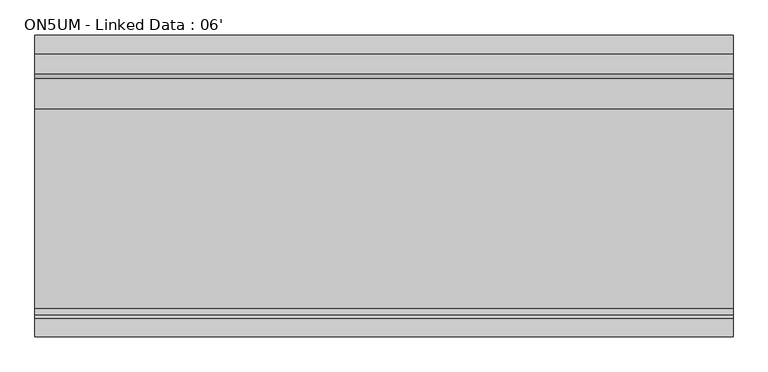
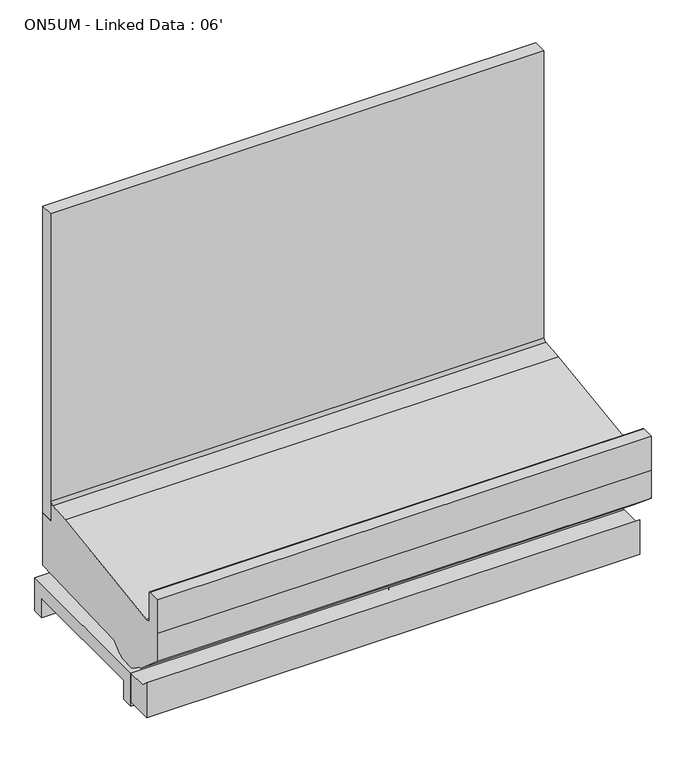
"""IFC4 building model written with IfcOpenShell, lengths in millimetres: proxy geometry, ON5UM - Linked Data : 06'."""

from ifc_helpers import new_model, si_unit, frame, origin, place, context, project, spatial, polyline, circle_curve, outline, extrude, source, transform, mapped, element, save
from ifc_brep_helpers import plane_surface, cylinder_surface, revolved_surface, advanced_brep


def on5um_linked_data_06_0cb7e67e(model_context):
    return source(origin(), model_context, "Body", "SolidModel", [
        advanced_brep(
        [(0.0, -1018.0355073, 16.9113003), (0.0, -1120.2374519, 16.9113003), (0.0, -1120.2374519, 153.0862041), (0.0, -1092.9329421, 130.175), (0.0, -1018.0355073, 130.175), (1828.8, -1018.0355073, 16.9113003), (1828.8, -1018.0355073, 130.175), (1828.8, -1092.9329421, 130.175), (1828.8, -1120.2374519, 153.0862041), (1828.8, -1120.2374519, 16.9113003), (1697.6105208, -1018.0355073, 16.9113003), (1697.6105208, -1018.0355073, 121.311784), (1598.0394792, -1018.0355073, 121.311784), (1598.0394792, -1018.0355073, 16.9113003), (956.0031896, -1018.0355073, 16.9113003), (956.0031896, -1018.0355073, 121.311784), (872.7968104, -1018.0355073, 121.311784), (872.7968104, -1018.0355073, 16.9113003)],
        [
            (0, 1),
            (1, 2),
            (2, 3),
            (3, 4),
            (4, 0),
            (5, 6),
            (6, 7),
            (7, 8),
            (8, 9),
            (9, 5),
            (4, 6),
            (5, 10),
            (10, 11),
            (11, 12),
            (12, 13),
            (13, 14),
            (14, 15),
            (15, 16),
            (16, 17),
            (17, 0),
            (3, 7),
            (17, 14, circle_curve(frame((914.4, -988.8839273, 16.9113003), z_axis=(0.0, 0.0, 1.0), x_axis=(1.0, 0.0, 0.0)), 50.8)),
            (13, 10, circle_curve(frame((1647.825, -1007.9339273, 16.9113003), z_axis=(0.0, 0.0, 1.0), x_axis=(1.0, 0.0, 0.0)), 50.8)),
            (9, 1),
            (15, 16, circle_curve(frame((914.4, -988.8839273, 121.311784), z_axis=(0.0, 0.0, -1.0), x_axis=(1.0, 0.0, 0.0)), 50.8)),
            (8, 2),
            (11, 12, circle_curve(frame((1647.825, -1007.9339273, 121.311784), z_axis=(0.0, 0.0, -1.0), x_axis=(1.0, 0.0, 0.0)), 50.8)),
        ],
        [
            plane_surface(frame((0.0, -1018.0355073, 130.175), z_axis=(-1.0, 0.0, 0.0), x_axis=(0.0, 0.0, -1.0))),
            plane_surface(frame((1828.8, -1018.0355073, 130.175), z_axis=(1.0, 0.0, 0.0), x_axis=(0.0, 0.0, 1.0))),
            plane_surface(frame((1828.8, -1018.0355073, 16.9113003), z_axis=(0.0, 1.0, 0.0), x_axis=(-1.0, 0.0, 0.0))),
            plane_surface(frame((1828.8, -1018.0355073, 130.175), z_axis=(0.0, 0.0, 1.0), x_axis=(-1.0, 0.0, 0.0))),
            plane_surface(frame((1828.8, -1120.2374519, 16.9113003), z_axis=(0.0, 0.0, -1.0), x_axis=(-1.0, 0.0, 0.0))),
            plane_surface(frame((965.2, -988.8839273, 121.311784), z_axis=(0.0, 0.0, -1.0), x_axis=(0.0, 1.0, 0.0))),
            revolved_surface(polyline([(965.1999999999999, -988.8839273, 121.311784), (965.1999999999999, -988.8839273, 16.9113003)]), (914.4, -988.8839273, 0.0), (0.0, 0.0, 1.0)),
            plane_surface(frame((1828.8, -1120.2374519, 153.0862041), z_axis=(0.0, -1.0, 0.0), x_axis=(-1.0, 0.0, 0.0))),
            plane_surface(frame((1828.8, -1092.9329421, 130.175), z_axis=(0.0, 0.6427876096870794, 0.766044443118525), x_axis=(-1.0, 0.0, 0.0))),
            plane_surface(frame((1698.625, -1007.9339273, 121.311784), z_axis=(0.0, 0.0, -1.0), x_axis=(0.0, 1.0, 0.0))),
            revolved_surface(polyline([(1698.625, -1007.9339273, 121.311784), (1698.625, -1007.9339273, 16.9113003)]), (1647.825, -1007.9339273, 0.0), (0.0, 0.0, 1.0)),
        ],
        [
            (0, [[1, 2, 3, 4, 5]]),
            (1, [[6, 7, 8, 9, 10]]),
            (2, [[-5, 11, -6, 12, 13, 14, 15, 16, 17, 18, 19, 20]]),
            (3, [[-4, 21, -7, -11]]),
            (4, [[-1, -20, 22, -16, 23, -12, -10, 24]]),
            (5, [[25, -18]]),
            (6, [[-25, -17, -22, -19]]),
            (7, [[-2, -24, -9, 26]]),
            (8, [[-3, -26, -8, -21]]),
            (9, [[27, -14]]),
            (10, [[-27, -13, -23, -15]]),
        ],
    ),
        advanced_brep(
        [(0.0, -401.5089273, 130.175), (0.0, -401.5089273, 0.0), (0.0, -446.7209273, 0.0), (0.0, -446.7209273, 74.8810382), (0.0, -972.7046625, 74.8810382), (0.0, -972.7046625, 0.0), (0.0, -1018.0355073, 0.0), (0.0, -1018.0355073, 130.175), (1828.8, -401.5089273, 130.175), (1828.8, -1018.0355073, 130.175), (1828.8, -1018.0355073, 0.0), (1828.8, -972.7046625, 0.0), (1828.8, -972.7046625, 74.8810382), (1828.8, -446.7209273, 74.8810382), (1828.8, -446.7209273, 0.0), (1828.8, -401.5089273, 0.0), (872.7968104, -1018.0355073, 0.0), (872.7968104, -1018.0355073, 121.311784), (956.0031896, -1018.0355073, 121.311784), (956.0031896, -1018.0355073, 0.0), (1598.0394792, -1018.0355073, 0.0), (1598.0394792, -1018.0355073, 121.311784), (1697.6105208, -1018.0355073, 121.311784), (1697.6105208, -1018.0355073, 0.0), (866.2453388, -972.7046625, 0.0), (863.6, -988.8839273, 0.0), (1698.625, -1007.9339273, 0.0), (1684.4247118, -972.7046625, 0.0), (965.2, -988.8839273, 0.0), (962.5546612, -972.7046625, 0.0), (1611.2252882, -972.7046625, 0.0), (1597.025, -1007.9339273, 0.0), (866.2453388, -972.7046625, 74.8810382), (1684.4247118, -972.7046625, 74.8810382), (962.5546612, -972.7046625, 74.8810382), (1611.2252882, -972.7046625, 74.8810382), (863.6, -988.8839273, 121.311784), (965.2, -988.8839273, 121.311784), (1597.025, -1007.9339273, 121.311784), (1698.625, -1007.9339273, 121.311784)],
        [
            (0, 1),
            (1, 2),
            (2, 3),
            (3, 4),
            (4, 5),
            (5, 6),
            (6, 7),
            (7, 0),
            (8, 9),
            (9, 10),
            (10, 11),
            (11, 12),
            (12, 13),
            (13, 14),
            (14, 15),
            (15, 8),
            (7, 9),
            (8, 0),
            (6, 16),
            (16, 17),
            (17, 18),
            (18, 19),
            (19, 20),
            (20, 21),
            (21, 22),
            (22, 23),
            (23, 10),
            (5, 24),
            (24, 25, circle_curve(frame((914.4, -988.8839273, 0.0), z_axis=(0.0, 0.0, 1.0), x_axis=(1.0, 0.0, 0.0)), 50.8)),
            (25, 16, circle_curve(frame((914.4, -988.8839273, 0.0), z_axis=(0.0, 0.0, 1.0), x_axis=(1.0, 0.0, 0.0)), 50.8)),
            (23, 26, circle_curve(frame((1647.825, -1007.9339273, 0.0), z_axis=(0.0, 0.0, 1.0), x_axis=(1.0, 0.0, 0.0)), 50.8)),
            (26, 27, circle_curve(frame((1647.825, -1007.9339273, 0.0), z_axis=(0.0, 0.0, 1.0), x_axis=(1.0, 0.0, 0.0)), 50.8)),
            (27, 11),
            (19, 28, circle_curve(frame((914.4, -988.8839273, 0.0), z_axis=(0.0, 0.0, 1.0), x_axis=(1.0, 0.0, 0.0)), 50.8)),
            (28, 29, circle_curve(frame((914.4, -988.8839273, 0.0), z_axis=(0.0, 0.0, 1.0), x_axis=(1.0, 0.0, 0.0)), 50.8)),
            (29, 30),
            (30, 31, circle_curve(frame((1647.825, -1007.9339273, 0.0), z_axis=(0.0, 0.0, 1.0), x_axis=(1.0, 0.0, 0.0)), 50.8)),
            (31, 20, circle_curve(frame((1647.825, -1007.9339273, 0.0), z_axis=(0.0, 0.0, 1.0), x_axis=(1.0, 0.0, 0.0)), 50.8)),
            (4, 32),
            (32, 24),
            (27, 33),
            (33, 12),
            (29, 34),
            (34, 35),
            (35, 30),
            (3, 13),
            (33, 35, circle_curve(frame((1647.825, -1007.9339273, 74.8810382), z_axis=(0.0, 0.0, 1.0), x_axis=(1.0, 0.0, 0.0)), 50.8)),
            (34, 32, circle_curve(frame((914.4, -988.8839273, 74.8810382), z_axis=(0.0, 0.0, 1.0), x_axis=(1.0, 0.0, 0.0)), 50.8)),
            (2, 14),
            (1, 15),
            (36, 37, circle_curve(frame((914.4, -988.8839273, 121.311784), z_axis=(0.0, 0.0, -1.0), x_axis=(1.0, 0.0, 0.0)), 50.8)),
            (37, 18, circle_curve(frame((914.4, -988.8839273, 121.311784), z_axis=(0.0, 0.0, -1.0), x_axis=(1.0, 0.0, 0.0)), 50.8)),
            (17, 36, circle_curve(frame((914.4, -988.8839273, 121.311784), z_axis=(0.0, 0.0, -1.0), x_axis=(1.0, 0.0, 0.0)), 50.8)),
            (37, 28),
            (25, 36),
            (38, 39, circle_curve(frame((1647.825, -1007.9339273, 121.311784), z_axis=(0.0, 0.0, -1.0), x_axis=(1.0, 0.0, 0.0)), 50.8)),
            (39, 22, circle_curve(frame((1647.825, -1007.9339273, 121.311784), z_axis=(0.0, 0.0, -1.0), x_axis=(1.0, 0.0, 0.0)), 50.8)),
            (21, 38, circle_curve(frame((1647.825, -1007.9339273, 121.311784), z_axis=(0.0, 0.0, -1.0), x_axis=(1.0, 0.0, 0.0)), 50.8)),
            (39, 26),
            (31, 38),
        ],
        [
            plane_surface(frame((0.0, -1205.8783654, 130.175), z_axis=(-1.0, 0.0, 0.0), x_axis=(0.0, 1.0, 0.0))),
            plane_surface(frame((1828.8, -1205.8783654, 130.175), z_axis=(1.0, 0.0, 0.0), x_axis=(0.0, -1.0, 0.0))),
            plane_surface(frame((1828.8, -401.5089273, 130.175), z_axis=(0.0, 0.0, 1.0), x_axis=(-1.0, 0.0, 0.0))),
            plane_surface(frame((1828.8, -1018.0355073, 130.175), z_axis=(0.0, -1.0, 0.0), x_axis=(-1.0, 0.0, 0.0))),
            plane_surface(frame((1828.8, -1018.0355073, 0.0), z_axis=(0.0, 0.0, -1.0), x_axis=(-1.0, 0.0, 0.0))),
            plane_surface(frame((1828.8, -972.7046625, 0.0), z_axis=(0.0, 1.0, 0.0), x_axis=(-1.0, 0.0, 0.0))),
            plane_surface(frame((1828.8, -972.7046625, 74.8810382), z_axis=(0.0, 0.0, -1.0), x_axis=(-1.0, 0.0, 0.0))),
            plane_surface(frame((1828.8, -446.7209273, 74.8810382), z_axis=(0.0, -1.0, 0.0), x_axis=(-1.0, 0.0, 0.0))),
            plane_surface(frame((1828.8, -446.7209273, 0.0), z_axis=(0.0, 0.0, -1.0), x_axis=(-1.0, 0.0, 0.0))),
            plane_surface(frame((1828.8, -401.5089273, 0.0), z_axis=(0.0, 1.0, 0.0), x_axis=(-1.0, 0.0, 0.0))),
            plane_surface(frame((965.2, -988.8839273, 121.311784), z_axis=(0.0, 0.0, -1.0), x_axis=(0.0, 1.0, 0.0))),
            revolved_surface(polyline([(965.1999999999999, -988.8839273, 121.311784), (965.1999999999999, -988.8839273, 0.0)]), (914.4, -988.8839273, 0.0), (0.0, 0.0, 1.0)),
            plane_surface(frame((1698.625, -1007.9339273, 121.311784), z_axis=(0.0, 0.0, -1.0), x_axis=(0.0, 1.0, 0.0))),
            revolved_surface(polyline([(1698.625, -1007.9339273, 121.311784), (1698.625, -1007.9339273, 0.0)]), (1647.825, -1007.9339273, 0.0), (0.0, 0.0, 1.0)),
        ],
        [
            (0, [[1, 2, 3, 4, 5, 6, 7, 8]]),
            (1, [[9, 10, 11, 12, 13, 14, 15, 16]]),
            (2, [[-8, 17, -9, 18]]),
            (3, [[-7, 19, 20, 21, 22, 23, 24, 25, 26, 27, -10, -17]]),
            (4, [[-6, 28, 29, 30, -19]]),
            (4, [[-11, -27, 31, 32, 33]]),
            (4, [[34, 35, 36, 37, 38, -23]]),
            (5, [[-5, 39, 40, -28]]),
            (5, [[-12, -33, 41, 42]]),
            (5, [[43, 44, 45, -36]]),
            (6, [[-4, 46, -13, -42, 47, -44, 48, -39]]),
            (7, [[-3, 49, -14, -46]]),
            (8, [[-2, 50, -15, -49]]),
            (9, [[-1, -18, -16, -50]]),
            (10, [[51, 52, -21, 53]]),
            (11, [[54, -34, -22, -52]]),
            (11, [[55, -53, -20, -30]]),
            (11, [[-51, -55, -29, -40, -48, -43, -35, -54]]),
            (12, [[56, 57, -25, 58]]),
            (13, [[59, -31, -26, -57]]),
            (13, [[60, -58, -24, -38]]),
            (13, [[-56, -60, -37, -45, -47, -41, -32, -59]]),
        ],
    ),
        extrude(outline(polyline([(688.975, -552.9627532), (688.975, -932.4775263), (180.975, -932.4775263), (180.975, -552.9627532), (688.975, -552.9627532)])), frame((0.0, 0.0, 68.5310382), z_axis=(0.0, 0.0, 1.0), x_axis=(1.0, 0.0, 0.0)), (0.0, 0.0, 1.0), 6.35),
        extrude(outline(polyline([(1828.8, -452.3089273), (1828.8, -503.4770145), (0.0, -503.4770145), (0.0, -452.3089273), (1828.8, -452.3089273)])), frame((0.0, 0.0, 415.8429537), z_axis=(0.0, 0.0, 1.0), x_axis=(1.0, 0.0, 0.0)), (0.0, 0.0, 1.0), 1202.0524215),
        advanced_brep(
        [(0.0, -503.4770145, 415.8429537), (0.0, -452.3089273, 415.8429537), (0.0, -452.3089273, 210.4307819), (0.0, -911.2586215, 194.4039054), (0.0, -947.966692, 163.7297871), (0.0, -949.2046713, 163.6865559), (0.0, -961.9148015, 153.7615258), (0.0, -1022.2030531, 151.6562137), (0.0, -1035.5745571, 160.670453), (0.0, -1036.8125365, 160.6272219), (0.0, -1075.5167374, 188.6268069), (0.0, -1081.6882807, 188.4112919), (0.0, -1191.6695874, 280.6965658), (0.0, -1191.6695874, 390.4771975), (0.0, -1191.6695874, 522.6122796), (0.0, -1143.2268145, 522.6122796), (0.0, -1135.3020145, 514.6874796), (0.0, -1135.3020145, 401.5554537), (0.0, -1117.2993145, 401.5554537), (0.0, -594.8547877, 474.2138198), (0.0, -515.2911073, 481.9373825), (0.0, -503.4770145, 494.6064459), (1828.8, -503.4770145, 415.8429537), (1828.8, -503.4770145, 494.6064459), (1828.8, -515.2911073, 481.9373825), (1828.8, -594.8547877, 474.2138198), (1828.8, -1117.2993145, 401.5554537), (1828.8, -1135.3020145, 401.5554537), (1828.8, -1135.3020145, 514.6874796), (1828.8, -1143.2268145, 522.6122796), (1828.8, -1191.6695874, 522.6122796), (1828.8, -1191.6695874, 390.4771975), (1828.8, -1191.6695874, 280.6965658), (1828.8, -1081.6882807, 188.4112919), (1828.8, -1075.5167374, 188.6268069), (1828.8, -1036.8125365, 160.6272219), (1828.8, -1035.5745571, 160.670453), (1828.8, -1022.2030531, 151.6562137), (1828.8, -961.9148015, 153.7615258), (1828.8, -949.2046713, 163.6865559), (1828.8, -947.966692, 163.7297871), (1828.8, -911.2586215, 194.4039054), (1828.8, -452.3089273, 210.4307819), (1828.8, -452.3089273, 415.8429537)],
        [
            (0, 1),
            (1, 2),
            (2, 3),
            (3, 4),
            (4, 5),
            (5, 6),
            (6, 7),
            (7, 8),
            (8, 9),
            (9, 10),
            (10, 11),
            (11, 12),
            (12, 13),
            (13, 14),
            (14, 15),
            (15, 16, circle_curve(frame((0.0, -1143.2268145, 514.6874796), z_axis=(-1.0, 0.0, 0.0), x_axis=(0.0, 1.0, 0.0)), 7.9248)),
            (16, 17),
            (17, 18),
            (18, 19),
            (19, 20),
            (20, 21, circle_curve(frame((0.0, -516.1770145, 494.6064459), z_axis=(1.0, 0.0, 0.0), x_axis=(0.0, 1.0, 0.0)), 12.7)),
            (21, 0),
            (22, 23),
            (23, 24, circle_curve(frame((1828.8, -516.1770145, 494.6064459), z_axis=(-1.0, 0.0, 0.0), x_axis=(0.0, 1.0, 0.0)), 12.7)),
            (24, 25),
            (25, 26),
            (26, 27),
            (27, 28),
            (28, 29, circle_curve(frame((1828.8, -1143.2268145, 514.6874796), z_axis=(1.0, 0.0, 0.0), x_axis=(0.0, 1.0, 0.0)), 7.9248)),
            (29, 30),
            (30, 31),
            (31, 32),
            (32, 33),
            (33, 34),
            (34, 35),
            (35, 36),
            (36, 37),
            (37, 38),
            (38, 39),
            (39, 40),
            (40, 41),
            (41, 42),
            (42, 43),
            (43, 22),
            (42, 2),
            (1, 43),
            (0, 22),
            (21, 23),
            (20, 24),
            (19, 25),
            (18, 26),
            (17, 27),
            (16, 28),
            (15, 29),
            (14, 30),
            (13, 31),
            (12, 32),
            (11, 33),
            (10, 34),
            (9, 35),
            (8, 36),
            (7, 37),
            (6, 38),
            (5, 39),
            (4, 40),
            (3, 41),
        ],
        [
            plane_surface(frame((0.0, -503.4770145, 1116.8081953), z_axis=(-1.0, 0.0, 0.0), x_axis=(0.0, 0.0, -1.0))),
            plane_surface(frame((1828.8, -503.4770145, 1116.8081953), z_axis=(1.0, 0.0, 0.0), x_axis=(0.0, 0.0, 1.0))),
            plane_surface(frame((1828.8, -452.3089273, 210.4307819), z_axis=(0.0, 1.0, 0.0), x_axis=(-1.0, 0.0, 0.0))),
            plane_surface(frame((1828.8, -452.3089273, 415.8429537), z_axis=(0.0, 0.0, 1.0), x_axis=(-1.0, 0.0, 0.0))),
            plane_surface(frame((1828.8, -503.4770145, 415.8429537), z_axis=(0.0, 1.0, 0.0), x_axis=(-1.0, 0.0, 0.0))),
            revolved_surface(polyline([(0.0, -503.47701450000005, 494.6064459), (1828.8, -503.47701450000005, 494.6064459)]), (0.0, -516.1770145, 494.6064459), (-1.0, 0.0, 0.0)),
            plane_surface(frame((1828.8, -515.2911073, 481.9373825), z_axis=(0.0, -0.09661980044750265, 0.9953213622551688), x_axis=(-1.0, 0.0, 0.0))),
            plane_surface(frame((1828.8, -594.8547877, 474.2138198), z_axis=(0.0, -0.1377480894156595, 0.9904672957055853), x_axis=(-1.0, 0.0, 0.0))),
            plane_surface(frame((1828.8, -1117.2993145, 401.5554537), z_axis=(0.0, 0.0, 1.0), x_axis=(-1.0, 0.0, 0.0))),
            plane_surface(frame((1828.8, -1135.3020145, 401.5554537), z_axis=(0.0, 1.0, 0.0), x_axis=(-1.0, 0.0, 0.0))),
            cylinder_surface(frame((0.0, -1143.2268145, 514.6874796), z_axis=(1.0, 0.0, 0.0), x_axis=(0.0, 1.0, 0.0)), 7.9248),
            plane_surface(frame((1828.8, -1143.2268145, 522.6122796), z_axis=(0.0, 0.0, 1.0), x_axis=(-1.0, 0.0, 0.0))),
            plane_surface(frame((1828.8, -1191.6695874, 522.6122796), z_axis=(0.0, -1.0, 0.0), x_axis=(-1.0, 0.0, 0.0))),
            plane_surface(frame((1828.8, -1191.6695874, 390.4771975), z_axis=(0.0, -1.0, 0.0), x_axis=(-1.0, 0.0, 0.0))),
            plane_surface(frame((1828.8, -1191.6695874, 280.6965658), z_axis=(0.0, -0.6427876096870885, -0.7660444431185174), x_axis=(-1.0, 0.0, 0.0))),
            plane_surface(frame((1828.8, -1081.6882807, 188.4112919), z_axis=(0.0, 0.03489949670352723, -0.9993908270190599), x_axis=(-1.0, 0.0, 0.0))),
            plane_surface(frame((1828.8, -1075.5167374, 188.6268069), z_axis=(0.0, -0.5861307997256017, -0.810216443682197), x_axis=(-1.0, 0.0, 0.0))),
            plane_surface(frame((1828.8, -1036.8125365, 160.6272219), z_axis=(0.0, 0.03489949670146529, -0.999390827019132), x_axis=(-1.0, 0.0, 0.0))),
            plane_surface(frame((1828.8, -1035.5745571, 160.670453), z_axis=(0.0, -0.5589817440968015, -0.8291799622316606), x_axis=(-1.0, 0.0, 0.0))),
            plane_surface(frame((1828.8, -1022.2030531, 151.6562137), z_axis=(0.0, 0.03489949670245123, -0.9993908270190974), x_axis=(-1.0, 0.0, 0.0))),
            plane_surface(frame((1828.8, -961.9148015, 153.7615258), z_axis=(0.0, 0.6154607629252682, -0.7881675261639793), x_axis=(-1.0, 0.0, 0.0))),
            plane_surface(frame((1828.8, -949.2046713, 163.6865559), z_axis=(0.0, 0.03489949670032392, -0.9993908270191718), x_axis=(-1.0, 0.0, 0.0))),
            plane_surface(frame((1828.8, -947.966692, 163.7297871), z_axis=(0.0, 0.6412208566386186, -0.7673563794037528), x_axis=(-1.0, 0.0, 0.0))),
            plane_surface(frame((1828.8, -911.2586215, 194.4039054), z_axis=(0.0, 0.03489949670246395, -0.9993908270190971), x_axis=(-1.0, 0.0, 0.0))),
        ],
        [
            (0, [[1, 2, 3, 4, 5, 6, 7, 8, 9, 10, 11, 12, 13, 14, 15, 16, 17, 18, 19, 20, 21, 22]]),
            (1, [[23, 24, 25, 26, 27, 28, 29, 30, 31, 32, 33, 34, 35, 36, 37, 38, 39, 40, 41, 42, 43, 44]]),
            (2, [[-43, 45, -2, 46]]),
            (3, [[-44, -46, -1, 47]]),
            (4, [[-23, -47, -22, 48]]),
            (5, [[-24, -48, -21, 49]]),
            (6, [[-25, -49, -20, 50]]),
            (7, [[-26, -50, -19, 51]]),
            (8, [[-27, -51, -18, 52]]),
            (9, [[-28, -52, -17, 53]]),
            (10, [[-29, -53, -16, 54]]),
            (11, [[-30, -54, -15, 55]]),
            (12, [[-31, -55, -14, 56]]),
            (13, [[-32, -56, -13, 57]]),
            (14, [[-33, -57, -12, 58]]),
            (15, [[-34, -58, -11, 59]]),
            (16, [[-35, -59, -10, 60]]),
            (17, [[-36, -60, -9, 61]]),
            (18, [[-37, -61, -8, 62]]),
            (19, [[-38, -62, -7, 63]]),
            (20, [[-39, -63, -6, 64]]),
            (21, [[-40, -64, -5, 65]]),
            (22, [[-41, -65, -4, 66]]),
            (23, [[-42, -66, -3, -45]]),
        ],
    ),
    ])


if __name__ == "__main__":
    model = new_model("IFC4")
    model_context = context("Model", 3, world=origin())
    ifc_project = project(units=[si_unit("LENGTHUNIT", "METRE", prefix="MILLI")], contexts=[model_context])
    site = spatial("IfcSite", under=ifc_project)
    building = spatial("IfcBuilding", under=site)
    placement = place(None, origin())
    on5um_linked_data_06_shape = on5um_linked_data_06_0cb7e67e(model_context)
    element("IfcBuildingElementProxy", 1, Name="ON5UM - Linked Data : 06'", ObjectType="ON5UM - Linked Data : 06'", at=placement, inside=building, context=model_context, shape_type="MappedRepresentation", body=[
        mapped(on5um_linked_data_06_shape, transform((0.0, 0.0, 0.0), x_axis=(1.0, 0.0, 0.0), y_axis=(0.0, 1.0, 0.0), z_axis=(0.0, 0.0, 1.0))),
    ])
    save(model, "model.ifc")
